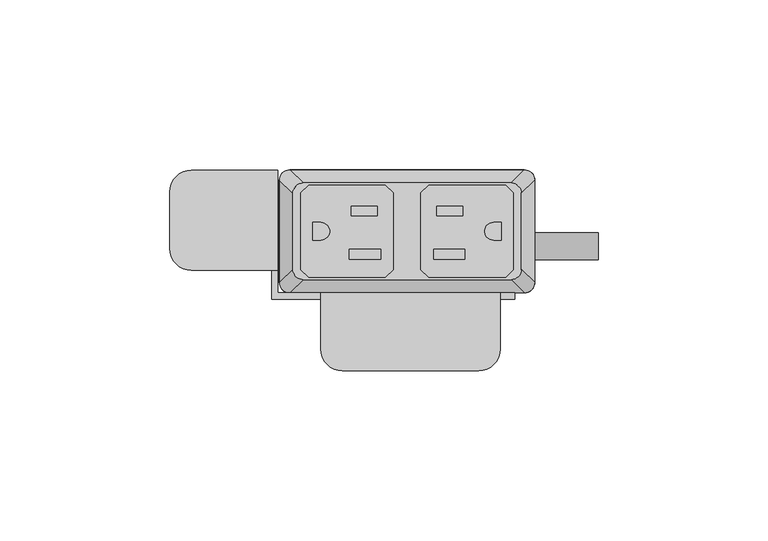
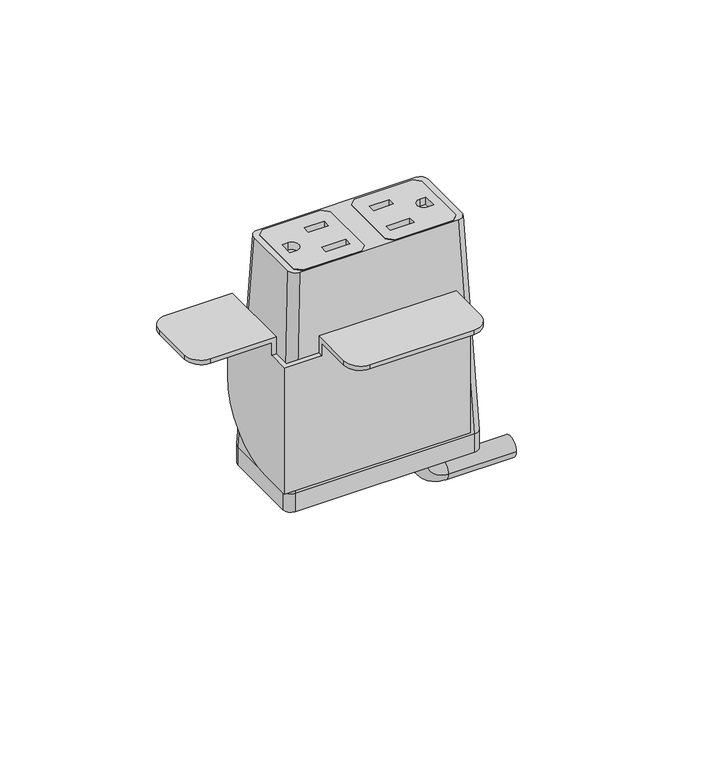
"""IFC4 building model written with IfcOpenShell, lengths in millimetres: furniture geometry."""

from ifc_helpers import new_model, si_unit, point, frame, frame_2d, origin, place, context, project, spatial, polyline, circle_curve, ellipse_curve, trimmed, segment, composite_curve, outline, extrude, source, transform, mapped, element, save
from ifc_brep_helpers import plane_surface, cylinder_surface, revolved_surface, extruded_surface, advanced_brep


def furniture_f7e2a11c(model_context):
    return source(origin(), model_context, "Body", "SolidModel", [
        extrude(outline(polyline([(28.9877496, 31.6867491), (31.2737497, 29.400774), (31.2737497, 6.7950272), (28.9877496, 4.5090526), (6.3817502, 4.5090526), (4.0957501, 6.7950272), (4.0957501, 29.400774), (6.3817502, 31.6867491), (28.9877496, 31.6867491)]), holes=[polyline([(16.3893498, 25.5262103), (8.71855, 25.5262103), (8.71855, 22.6814439), (16.3893498, 22.6814439), (16.3893498, 25.5262103)]), polyline([(17.0497496, 12.7755533), (7.8041498, 12.7755533), (7.8041498, 9.9307858), (17.0497496, 9.9307858), (17.0497496, 12.7755533)]), composite_curve([segment(polyline([(27.7177508, 20.7140722), (25.4427305, 20.7140722)]), True, "CONTINUOUS"), segment(trimmed(circle_curve(frame_2d((25.4427305, 18.0979012)), 2.616171), [point((25.4427305, 20.7140722))], [point((25.4427305, 15.4817301))], True, "CARTESIAN"), True, "CONTINUOUS"), segment(polyline([(25.4427305, 15.4817301), (27.7177508, 15.4817301), (27.7177508, 20.7140722)]), True, "CONTINUOUS")], self_intersect=False)]), frame((0.0, 0.0, 746.3747365), z_axis=(0.0, 0.0, 1.0), x_axis=(1.0, 0.0, 0.0)), (0.0, 0.0, 1.0), 2.9555086),
        extrude(outline(polyline([(-28.9877496, 31.6867491), (-6.3817502, 31.6867491), (-4.0957501, 29.400774), (-4.0957501, 6.7950272), (-6.3817502, 4.5090526), (-28.9877496, 4.5090526), (-31.2737497, 6.7950272), (-31.2737497, 29.400774), (-28.9877496, 31.6867491)]), holes=[polyline([(-16.3893498, 25.5262103), (-16.3893498, 22.6814439), (-8.71855, 22.6814439), (-8.71855, 25.5262103), (-16.3893498, 25.5262103)]), polyline([(-17.0497496, 12.7755533), (-17.0497496, 9.9307858), (-7.8041498, 9.9307858), (-7.8041498, 12.7755533), (-17.0497496, 12.7755533)]), composite_curve([segment(polyline([(-27.7177508, 20.7140722), (-27.7177508, 15.4817301), (-25.4427305, 15.4817301)]), True, "CONTINUOUS"), segment(trimmed(circle_curve(frame_2d((-25.4427305, 18.0979012)), 2.616171), [point((-25.4427305, 15.4817301))], [point((-25.4427305, 20.7140722))], True, "CARTESIAN"), True, "CONTINUOUS"), segment(polyline([(-25.4427305, 20.7140722), (-27.7177508, 20.7140722)]), True, "CONTINUOUS")], self_intersect=False)]), frame((0.0, 0.0, 746.3747365), z_axis=(0.0, 0.0, 1.0), x_axis=(1.0, 0.0, 0.0)), (0.0, 0.0, 1.0), 2.9555086),
        advanced_brep(
        [(-30.6070003, 32.3219007, 749.3170623), (-33.6549997, 29.2739013, 749.3170623), (-33.6549997, 6.9219002, 749.3170623), (-30.6070003, 3.8739008, 749.3170623), (30.6070003, 3.8739008, 749.3170623), (33.6549997, 6.9219002, 749.3170623), (33.6549997, 29.2739013, 749.3170623), (30.6070003, 32.3219007, 749.3170623), (4.0957501, 29.400774, 749.3170623), (6.3817502, 31.6867491, 749.3170623), (28.9877496, 31.6867491, 749.3170623), (31.2737497, 29.400774, 749.3170623), (31.2737497, 6.7950272, 749.3170623), (28.9877496, 4.5090526, 749.3170623), (6.3817502, 4.5090526, 749.3170623), (4.0957501, 6.7950272, 749.3170623), (-4.0957501, 29.400774, 749.3170623), (-4.0957501, 6.7950272, 749.3170623), (-6.3817502, 4.5090526, 749.3170623), (-28.9877496, 4.5090526, 749.3170623), (-31.2737497, 6.7950272, 749.3170623), (-31.2737497, 29.400774, 749.3170623), (-28.9877496, 31.6867491, 749.3170623), (-6.3817502, 31.6867491, 749.3170623), (-34.5440011, 36.1954015, 662.9702434), (34.5440011, 36.1954015, 662.9702434), (37.5920005, 33.1474021, 662.9702434), (37.5920005, 3.0484002, 662.9702434), (34.5440011, 0.0004009, 662.9702434), (-34.5440011, 0.0004009, 662.9702434), (-37.5920005, 3.0484002, 662.9702434), (-37.5920005, 33.1474021, 662.9702434), (4.0957501, 29.400774, 742.1751211), (4.0957501, 6.7950272, 742.1751211), (6.3817502, 4.5090526, 742.1751211), (28.9877496, 4.5090526, 742.1751211), (31.2737497, 6.7950272, 742.1751211), (31.2737497, 29.400774, 742.1751211), (28.9877496, 31.6867491, 742.1751211), (6.3817502, 31.6867491, 742.1751211), (-4.0957501, 29.400774, 742.1751211), (-6.3817502, 31.6867491, 742.1751211), (-28.9877496, 31.6867491, 742.1751211), (-31.2737497, 29.400774, 742.1751211), (-31.2737497, 6.7950272, 742.1751211), (-28.9877496, 4.5090526, 742.1751211), (-6.3817502, 4.5090526, 742.1751211), (-4.0957501, 6.7950272, 742.1751211)],
        [
            (0, 1, circle_curve(frame((-30.6070003, 29.2739013, 749.3170623), z_axis=(0.0, 0.0, 1.0), x_axis=(-1.0, 0.0, 0.0)), 3.0479994)),
            (1, 2),
            (2, 3, circle_curve(frame((-30.6070003, 6.9219002, 749.3170623), z_axis=(0.0, 0.0, 1.0), x_axis=(-1.0, 0.0, 0.0)), 3.0479994)),
            (3, 4),
            (4, 5, circle_curve(frame((30.6070003, 6.9219002, 749.3170623), z_axis=(0.0, 0.0, 1.0), x_axis=(-1.0, 0.0, 0.0)), 3.0479994)),
            (5, 6),
            (6, 7, circle_curve(frame((30.6070003, 29.2739013, 749.3170623), z_axis=(0.0, 0.0, 1.0), x_axis=(-1.0, 0.0, 0.0)), 3.0479994)),
            (7, 0),
            (8, 9),
            (9, 10),
            (10, 11),
            (11, 12),
            (12, 13),
            (13, 14),
            (14, 15),
            (15, 8),
            (16, 17),
            (17, 18),
            (18, 19),
            (19, 20),
            (20, 21),
            (21, 22),
            (22, 23),
            (23, 16),
            (24, 25),
            (25, 26, circle_curve(frame((34.5440011, 33.1474021, 662.9702434), z_axis=(0.0, 0.0, -1.0), x_axis=(-1.0, 0.0, 0.0)), 3.0479994)),
            (26, 27),
            (27, 28, circle_curve(frame((34.5440011, 3.0484002, 662.9702434), z_axis=(0.0, 0.0, -1.0), x_axis=(-1.0, 0.0, 0.0)), 3.0479994)),
            (28, 29),
            (29, 30, circle_curve(frame((-34.5440011, 3.0484002, 662.9702434), z_axis=(0.0, 0.0, -1.0), x_axis=(-1.0, 0.0, 0.0)), 3.0479994)),
            (30, 31),
            (31, 24, circle_curve(frame((-34.5440011, 33.1474021, 662.9702434), z_axis=(0.0, 0.0, -1.0), x_axis=(-1.0, 0.0, 0.0)), 3.0479994)),
            (0, 24),
            (31, 1),
            (30, 2),
            (29, 3),
            (28, 4),
            (27, 5),
            (26, 6),
            (25, 7),
            (32, 33),
            (33, 34),
            (34, 35),
            (35, 36),
            (36, 37),
            (37, 38),
            (38, 39),
            (39, 32),
            (40, 41),
            (41, 42),
            (42, 43),
            (43, 44),
            (44, 45),
            (45, 46),
            (46, 47),
            (47, 40),
            (39, 9),
            (8, 32),
            (38, 10),
            (37, 11),
            (36, 12),
            (35, 13),
            (34, 14),
            (33, 15),
            (47, 17),
            (16, 40),
            (46, 18),
            (45, 19),
            (44, 20),
            (43, 21),
            (42, 22),
            (41, 23),
        ],
        [
            plane_surface(frame((0.0, 18.0979007, 749.3170623), z_axis=(0.0, 0.0, 1.0), x_axis=(-1.0, 0.0, 0.0))),
            plane_surface(frame((0.0, 18.0979012, 662.9702434), z_axis=(0.0, 0.0, -1.0), x_axis=(-1.0, 0.0, 0.0))),
            extruded_surface(trimmed(circle_curve(frame((-34.5440011, 33.1474021, 662.9702434), z_axis=(0.0, 0.0, 1.0), x_axis=(-1.0, 0.0, 0.0)), 3.0479994), [point((-34.5440011, 36.1954015, 662.9702434))], [point((-37.5920005, 33.1474021, 662.9702434))], True, "CARTESIAN"), (3.9370008000000034, -3.873500800000002, 86.34681890000002), 86.52327500676452),
            plane_surface(frame((-37.5920005, 18.0979012, 662.9702434), z_axis=(-0.9989621566211194, 0.0, 0.04554788292425982), x_axis=(0.0, -1.0, 0.0))),
            extruded_surface(trimmed(circle_curve(frame((-34.5440011, 3.0484002, 662.9702434), z_axis=(0.0, 0.0, 1.0), x_axis=(-1.0, 0.0, 0.0)), 3.0479994), [point((-37.5920005, 3.0484002, 662.9702434))], [point((-34.5440011, 0.0004009, 662.9702434))], True, "CARTESIAN"), (3.9370008000000034, 3.8734999999999995, 86.34681890000002), 86.52327497094987),
            plane_surface(frame((0.0, 0.0004009, 662.9702434), z_axis=(0.0, -0.9989953158490498, 0.044814717578687276), x_axis=(1.0, 0.0, 0.0))),
            extruded_surface(trimmed(circle_curve(frame((34.5440011, 3.0484002, 662.9702434), z_axis=(0.0, 0.0, 1.0), x_axis=(-1.0, 0.0, 0.0)), 3.0479994), [point((34.5440011, 0.0004009, 662.9702434))], [point((37.5920005, 3.0484002, 662.9702434))], True, "CARTESIAN"), (-3.9370008000000034, 3.8734999999999995, 86.34681890000002), 86.52327497094987),
            plane_surface(frame((37.5920005, 18.0979012, 662.9702434), z_axis=(0.9989621566211194, 0.0, 0.04554788292425977), x_axis=(0.0, 1.0, 0.0))),
            extruded_surface(trimmed(circle_curve(frame((34.5440011, 33.1474021, 662.9702434), z_axis=(0.0, 0.0, 1.0), x_axis=(-1.0, 0.0, 0.0)), 3.0479994), [point((37.5920005, 33.1474021, 662.9702434))], [point((34.5440011, 36.1954015, 662.9702434))], True, "CARTESIAN"), (-3.9370008000000034, -3.873500800000002, 86.34681890000002), 86.52327500676452),
            plane_surface(frame((0.0, 36.1954015, 662.9702434), z_axis=(0.0, 0.9989953153818162, 0.04481472799410512), x_axis=(-1.0, 0.0, 0.0))),
            plane_surface(frame((4.0957501, 29.400774, 742.1751211), z_axis=(0.0, 0.0, 1.0), x_axis=(0.707110644658062, 0.7071029176939239, 0.0))),
            plane_surface(frame((4.0957501, 29.400774, 742.1751211), z_axis=(0.7071029176939239, -0.707110644658062, 0.0), x_axis=(0.0, 0.0, 1.0))),
            plane_surface(frame((6.3817502, 31.6867491, 742.1751211), z_axis=(0.0, -1.0, 0.0), x_axis=(0.0, 0.0, 1.0))),
            plane_surface(frame((28.9877496, 31.6867491, 742.1751211), z_axis=(-0.7071029176939239, -0.707110644658062, 0.0), x_axis=(0.0, 0.0, 1.0))),
            plane_surface(frame((31.2737497, 29.400774, 742.1751211), z_axis=(-1.0, 0.0, 0.0), x_axis=(0.0, 0.0, 1.0))),
            plane_surface(frame((31.2737497, 6.7950272, 742.1751211), z_axis=(-0.7071028298865373, 0.7071107324644781, 0.0), x_axis=(0.0, 0.0, 1.0))),
            plane_surface(frame((28.9877496, 4.5090526, 742.1751211), z_axis=(0.0, 1.0, 0.0), x_axis=(0.0, 0.0, 1.0))),
            plane_surface(frame((6.3817502, 4.5090526, 742.1751211), z_axis=(0.7071028298865373, 0.7071107324644781, 0.0), x_axis=(0.0, 0.0, 1.0))),
            plane_surface(frame((4.0957501, 6.7950272, 742.1751211), z_axis=(1.0, 0.0, 0.0), x_axis=(0.0, 0.0, 1.0))),
            plane_surface(frame((-4.0957501, 29.400774, 742.1751211), z_axis=(-1.0, 0.0, 0.0), x_axis=(0.0, 0.0, 1.0))),
            plane_surface(frame((-4.0957501, 6.7950272, 742.1751211), z_axis=(-0.7071028298865389, 0.7071107324644764, 0.0), x_axis=(0.0, 0.0, 1.0))),
            plane_surface(frame((-6.3817502, 4.5090526, 742.1751211), z_axis=(0.0, 1.0, 0.0), x_axis=(0.0, 0.0, 1.0))),
            plane_surface(frame((-28.9877496, 4.5090526, 742.1751211), z_axis=(0.707102829886537, 0.7071107324644784, 0.0), x_axis=(0.0, 0.0, 1.0))),
            plane_surface(frame((-31.2737497, 6.7950272, 742.1751211), z_axis=(1.0, 0.0, 0.0), x_axis=(0.0, 0.0, 1.0))),
            plane_surface(frame((-31.2737497, 29.400774, 742.1751211), z_axis=(0.7071029176940063, -0.7071106446579796, 0.0), x_axis=(0.0, 0.0, 1.0))),
            plane_surface(frame((-28.9877496, 31.6867491, 742.1751211), z_axis=(0.0, -1.0, 0.0), x_axis=(0.0, 0.0, 1.0))),
            plane_surface(frame((-6.3817502, 31.6867491, 742.1751211), z_axis=(-0.7071029176940076, -0.7071106446579782, 0.0), x_axis=(0.0, 0.0, 1.0))),
        ],
        [
            (0, [[1, 2, 3, 4, 5, 6, 7, 8], [9, 10, 11, 12, 13, 14, 15, 16], [17, 18, 19, 20, 21, 22, 23, 24]]),
            (1, [[25, 26, 27, 28, 29, 30, 31, 32]]),
            (2, [[-1, 33, -32, 34]]),
            (3, [[-2, -34, -31, 35]]),
            (4, [[-3, -35, -30, 36]]),
            (5, [[-4, -36, -29, 37]]),
            (6, [[-5, -37, -28, 38]]),
            (7, [[-6, -38, -27, 39]]),
            (8, [[-7, -39, -26, 40]]),
            (9, [[-8, -40, -25, -33]]),
            (10, [[41, 42, 43, 44, 45, 46, 47, 48]]),
            (10, [[49, 50, 51, 52, 53, 54, 55, 56]]),
            (11, [[-48, 57, -9, 58]]),
            (12, [[-47, 59, -10, -57]]),
            (13, [[-46, 60, -11, -59]]),
            (14, [[-45, 61, -12, -60]]),
            (15, [[-44, 62, -13, -61]]),
            (16, [[-43, 63, -14, -62]]),
            (17, [[-42, 64, -15, -63]]),
            (18, [[-41, -58, -16, -64]]),
            (19, [[-56, 65, -17, 66]]),
            (20, [[-55, 67, -18, -65]]),
            (21, [[-54, 68, -19, -67]]),
            (22, [[-53, 69, -20, -68]]),
            (23, [[-52, 70, -21, -69]]),
            (24, [[-51, 71, -22, -70]]),
            (25, [[-50, 72, -23, -71]]),
            (26, [[-49, -66, -24, -72]]),
        ],
    ),
        advanced_brep(
        [(21.5715504, 17.7128311, 655.4960348), (21.5715504, 9.7137856, 655.4960348), (21.5715504, 17.7128311, 650.6662821), (21.5715504, 9.7137856, 650.6662821), (30.0384415, 9.7137856, 642.199391), (30.0384415, 17.7128311, 642.199391), (56.2588798, 17.7128311, 642.199391), (56.2588798, 9.7137856, 642.199391)],
        [
            (0, 1, circle_curve(frame((21.5715504, 13.7133083, 655.4960348), z_axis=(0.0, 0.0, 1.0), x_axis=(0.0, -1.0, 0.0)), 3.9995228)),
            (1, 0, circle_curve(frame((21.5715504, 13.7133083, 655.4960348), z_axis=(0.0, 0.0, 1.0), x_axis=(0.0, -1.0, 0.0)), 3.9995228)),
            (0, 2),
            (2, 3, circle_curve(frame((21.5715504, 13.7133083, 650.6662821), z_axis=(0.0, 0.0, 1.0), x_axis=(0.0, -1.0, 0.0)), 3.9995228)),
            (3, 1),
            (3, 2, circle_curve(frame((21.5715504, 13.7133083, 650.6662821), z_axis=(0.0, 0.0, 1.0), x_axis=(0.0, -1.0, 0.0)), 3.9995228)),
            (4, 3, circle_curve(frame((30.0384415, 9.7137856, 650.6662821), z_axis=(0.0, 1.0, 0.0), x_axis=(-1.0, 0.0, 0.0)), 8.4668911)),
            (2, 5, circle_curve(frame((30.0384415, 17.7128311, 650.6662821), z_axis=(0.0, -1.0, 0.0), x_axis=(-1.0, 0.0, 0.0)), 8.4668911)),
            (5, 4, circle_curve(frame((30.0384415, 13.7133083, 642.199391), z_axis=(-1.0, 0.0, 0.0), x_axis=(0.0, -1.0, 0.0)), 3.9995228)),
            (4, 5, circle_curve(frame((30.0384415, 13.7133083, 642.199391), z_axis=(-1.0, 0.0, 0.0), x_axis=(0.0, -1.0, 0.0)), 3.9995228)),
            (6, 7, circle_curve(frame((56.2588798, 13.7133083, 642.199391), z_axis=(1.0, 0.0, 0.0), x_axis=(0.0, -1.0, 0.0)), 3.9995228)),
            (7, 6, circle_curve(frame((56.2588798, 13.7133083, 642.199391), z_axis=(1.0, 0.0, 0.0), x_axis=(0.0, -1.0, 0.0)), 3.9995228)),
            (5, 6),
            (7, 4),
        ],
        [
            plane_surface(frame((21.5715504, 0.0, 655.4960348), z_axis=(0.0, 0.0, 1.0), x_axis=(0.0, -1.0, 0.0))),
            cylinder_surface(frame((21.5715504, 13.7133083, 655.4960348), z_axis=(0.0, 0.0, 1.0), x_axis=(0.0, -1.0, 0.0)), 3.9995228),
            revolved_surface(trimmed(ellipse_curve(frame((21.5715504, 13.7133083, 650.6662821), z_axis=(0.0, 0.0, 1.0), x_axis=(0.0, -1.0, 0.0)), 3.9995228, 3.9995228), [point((21.5715504, 17.7128311, 650.6662821))], [point((21.5715504, 9.7137856, 650.6662821))], True, "CARTESIAN"), (30.0384415, 0.0, 650.6662821), (0.0, -1.0, 0.0)),
            revolved_surface(trimmed(ellipse_curve(frame((21.5715504, 13.7133083, 650.6662821), z_axis=(0.0, 0.0, 1.0), x_axis=(0.0, -1.0, 0.0)), 3.9995228, 3.9995228), [point((21.5715504, 9.7137856, 650.6662821))], [point((21.5715504, 17.7128311, 650.6662821))], True, "CARTESIAN"), (30.0384415, 0.0, 650.6662821), (0.0, -1.0, 0.0)),
            plane_surface(frame((56.2588798, 0.0, 642.199391), z_axis=(1.0, 0.0, 0.0), x_axis=(0.0, -1.0, 0.0))),
            cylinder_surface(frame((30.0384415, 13.7133083, 642.199391), z_axis=(-1.0, 0.0, 0.0), x_axis=(0.0, -1.0, 0.0)), 3.9995228),
        ],
        [
            (0, [[1, 2]]),
            (1, [[-1, 3, 4, 5]]),
            (1, [[-2, -5, 6, -3]]),
            (2, [[7, -4, 8, 9]]),
            (3, [[-8, -6, -7, 10]]),
            (4, [[11, 12]]),
            (5, [[-9, 13, -12, 14]]),
            (5, [[-10, -14, -11, -13]]),
        ],
    ),
        extrude(outline(composite_curve([segment(trimmed(circle_curve(frame_2d((34.5440011, 33.1474021)), 3.0479994), [point((34.5440011, 36.1954015))], [point((37.5920005, 33.1474021))], False, "CARTESIAN"), True, "CONTINUOUS"), segment(polyline([(37.5920005, 33.1474021), (37.5920005, 3.0484002)]), True, "CONTINUOUS"), segment(trimmed(circle_curve(frame_2d((34.5440011, 3.0484002)), 3.0479994), [point((37.5920005, 3.0484002))], [point((34.5440011, 0.0004009))], False, "CARTESIAN"), True, "CONTINUOUS"), segment(polyline([(34.5440011, 0.0004009), (-34.5440011, 0.0004009)]), True, "CONTINUOUS"), segment(trimmed(circle_curve(frame_2d((-34.5440011, 3.0484002)), 3.0479994), [point((-34.5440011, 0.0004009))], [point((-37.5920005, 3.0484002))], False, "CARTESIAN"), True, "CONTINUOUS"), segment(polyline([(-37.5920005, 3.0484002), (-37.5920005, 33.1474021)]), True, "CONTINUOUS"), segment(trimmed(circle_curve(frame_2d((-34.5440011, 33.1474021)), 3.0479994), [point((-37.5920005, 33.1474021))], [point((-34.5440011, 36.1954015))], False, "CARTESIAN"), True, "CONTINUOUS"), segment(polyline([(-34.5440011, 36.1954015), (34.5440011, 36.1954015)]), True, "CONTINUOUS")], self_intersect=False)), frame((0.0, 0.0, 655.4960348), z_axis=(0.0, 0.0, 1.0), x_axis=(1.0, 0.0, 0.0)), (0.0, 0.0, 1.0), 7.4742086),
        advanced_brep(
        [(-63.4998651, 6.6265515, 722.122), (-69.8498653, 12.9765517, 722.122), (-69.8498653, 29.7151512, 722.122), (-63.4998645, 36.0651519, 722.122), (-39.877862, 36.0651519, 722.122), (-39.877862, 6.6265515, 722.122), (27.4321373, -16.6144474, 722.122), (21.0821366, -22.9644481, 722.122), (-19.0498626, -22.9644481, 722.122), (-25.3998622, -16.6144485, 722.122), (-25.3998622, -1.9078486, 722.122), (27.4321373, -1.9078486, 722.122), (-63.4998645, 36.0651519, 723.9), (-69.8498653, 29.7151512, 723.9), (-69.8498653, 12.9765517, 723.9), (-63.4998651, 6.6265515, 723.9), (-38.0998637, 6.6265515, 723.9), (-38.0998637, 36.0651519, 723.9), (-25.3998622, 0.0, 723.9), (-25.3998622, -16.6144485, 723.9), (-19.0498626, -22.9644481, 723.9), (21.0821366, -22.9644481, 723.9), (27.4321373, -16.6144474, 723.9), (27.4321373, 0.0, 723.9), (-38.0998637, 36.0651519, 690.8799997), (-39.877862, 36.0651519, 690.8799997), (-39.877862, 6.6265515, 717.0419997), (-38.0998637, 6.6265515, 717.0419997), (-38.0998637, 0.0, 717.0419997), (-38.0998637, 0.0, 665.4800012), (-38.0998637, 10.6651534, 665.4800012), (27.4321373, -1.9078486, 717.0419997), (27.4321373, 0.0, 717.0419997), (31.7501378, 0.0, 717.0419997), (31.7501378, 0.0, 665.4800012), (-25.3998622, 0.0, 717.0419997), (-25.3998622, -1.9078486, 717.0419997), (-39.877862, 10.6651534, 665.4800012), (-39.877862, -1.9078486, 665.4800012), (-39.877862, -1.9078486, 717.0419997), (31.7501378, -1.9078486, 665.4800012), (31.7501378, -1.9078486, 717.0419997)],
        [
            (0, 1, circle_curve(frame((-63.4998651, 12.9765517, 722.122), z_axis=(0.0, 0.0, -1.0), x_axis=(-1.0, 0.0, 0.0)), 6.3500002)),
            (1, 2),
            (2, 3, circle_curve(frame((-63.4998645, 29.7151512, 722.122), z_axis=(0.0, 0.0, -1.0), x_axis=(-1.0, 0.0, 0.0)), 6.3500008)),
            (3, 4),
            (4, 5),
            (5, 0),
            (6, 7, circle_curve(frame((21.0821366, -16.6144474, 722.122), z_axis=(0.0, 0.0, -1.0), x_axis=(-1.0, 0.0, 0.0)), 6.3500008)),
            (7, 8),
            (8, 9, circle_curve(frame((-19.0498626, -16.6144485, 722.122), z_axis=(0.0, 0.0, -1.0), x_axis=(-1.0, 0.0, 0.0)), 6.3499996)),
            (9, 10),
            (10, 11),
            (11, 6),
            (12, 13, circle_curve(frame((-63.4998645, 29.7151512, 723.9), z_axis=(0.0, 0.0, 1.0), x_axis=(-1.0, 0.0, 0.0)), 6.3500008)),
            (13, 14),
            (14, 15, circle_curve(frame((-63.4998651, 12.9765517, 723.9), z_axis=(0.0, 0.0, 1.0), x_axis=(-1.0, 0.0, 0.0)), 6.3500002)),
            (15, 16),
            (16, 17),
            (17, 12),
            (18, 19),
            (19, 20, circle_curve(frame((-19.0498626, -16.6144485, 723.9), z_axis=(0.0, 0.0, 1.0), x_axis=(-1.0, 0.0, 0.0)), 6.3499996)),
            (20, 21),
            (21, 22, circle_curve(frame((21.0821366, -16.6144474, 723.9), z_axis=(0.0, 0.0, 1.0), x_axis=(-1.0, 0.0, 0.0)), 6.3500008)),
            (22, 23),
            (23, 18),
            (3, 12),
            (17, 24),
            (24, 25),
            (25, 4),
            (2, 13),
            (1, 14),
            (0, 15),
            (5, 26),
            (26, 27),
            (27, 16),
            (27, 28),
            (28, 29),
            (29, 30),
            (30, 24, circle_curve(frame((-38.0998637, 10.6651534, 690.8799997), z_axis=(1.0, 0.0, 0.0), x_axis=(0.0, -1.0, 0.0)), 25.3999985)),
            (8, 20),
            (19, 9),
            (7, 21),
            (6, 22),
            (11, 31),
            (31, 32),
            (32, 23),
            (32, 33),
            (33, 34),
            (34, 29),
            (28, 35),
            (35, 18),
            (35, 36),
            (36, 10),
            (25, 37, circle_curve(frame((-39.877862, 10.6651534, 690.8799997), z_axis=(-1.0, 0.0, 0.0), x_axis=(0.0, -1.0, 0.0)), 25.3999985)),
            (37, 38),
            (38, 39),
            (39, 26),
            (30, 37),
            (34, 40),
            (40, 38),
            (40, 41),
            (41, 31),
            (36, 39),
            (41, 33),
        ],
        [
            plane_surface(frame((-63.4998645, 36.0651519, 722.122), z_axis=(0.0, 0.0, -1.0), x_axis=(1.0, 0.0, 0.0))),
            plane_surface(frame((-63.4998645, 36.0651519, 723.9), z_axis=(0.0, 0.0, 1.0), x_axis=(-1.0, 0.0, 0.0))),
            plane_surface(frame((-38.0998637, 36.0651519, 723.9), z_axis=(0.0, 1.0, 0.0), x_axis=(0.0, 0.0, -1.0))),
            cylinder_surface(frame((-63.4998645, 29.7151512, 722.122), z_axis=(0.0, 0.0, 1.0), x_axis=(-1.0, 0.0, 0.0)), 6.3500008),
            plane_surface(frame((-69.8498653, 29.7151512, 723.9), z_axis=(-1.0, 0.0, 0.0), x_axis=(0.0, 0.0, -1.0))),
            cylinder_surface(frame((-63.4998651, 12.9765517, 722.122), z_axis=(0.0, 0.0, 1.0), x_axis=(-1.0, 0.0, 0.0)), 6.3500002),
            plane_surface(frame((-63.4998651, 6.6265515, 723.9), z_axis=(0.0, -1.0, 0.0), x_axis=(0.0, 0.0, -1.0))),
            plane_surface(frame((-38.0998637, 6.6265515, 723.9), z_axis=(1.0, 0.0, 0.0), x_axis=(0.0, 0.0, -1.0))),
            cylinder_surface(frame((-19.0498626, -16.6144485, 723.9), z_axis=(0.0, 0.0, 1.0), x_axis=(-1.0, 0.0, 0.0)), 6.3499996),
            plane_surface(frame((-19.0498626, -22.9644481, 723.9), z_axis=(0.0, -1.0, 0.0), x_axis=(0.0, 0.0, -1.0))),
            cylinder_surface(frame((21.0821366, -16.6144474, 723.9), z_axis=(0.0, 0.0, 1.0), x_axis=(-1.0, 0.0, 0.0)), 6.3500008),
            plane_surface(frame((27.4321373, -16.6144474, 723.9), z_axis=(1.0, 0.0, 0.0), x_axis=(0.0, 0.0, -1.0))),
            plane_surface(frame((27.4321373, 0.0, 723.9), z_axis=(0.0, 1.0, 0.0), x_axis=(0.0, 0.0, -1.0))),
            plane_surface(frame((-25.3998622, 0.0, 723.9), z_axis=(-1.0, 0.0, 0.0), x_axis=(0.0, 0.0, -1.0))),
            plane_surface(frame((-39.877862, 36.0651519, 690.8799997), z_axis=(-1.0, 0.0, 0.0), x_axis=(0.0, 0.0, -1.0))),
            cylinder_surface(frame((-38.0998637, 10.6651534, 690.8799997), z_axis=(-1.0, 0.0, 0.0), x_axis=(0.0, -1.0, 0.0)), 25.3999985),
            plane_surface(frame((-39.877862, 10.6651534, 665.4800012), z_axis=(0.0, 0.0, -1.0), x_axis=(1.0, 0.0, 0.0))),
            plane_surface(frame((-39.877862, -1.9078486, 665.4800012), z_axis=(0.0, -1.0, 0.0), x_axis=(1.0, 0.0, 0.0))),
            plane_surface(frame((-39.877862, -1.9078486, 717.0419997), z_axis=(0.0, 0.0, 1.0), x_axis=(1.0, 0.0, 0.0))),
            plane_surface(frame((31.7501378, -1.9078486, 717.0419997), z_axis=(0.0, 0.0, 1.0), x_axis=(0.0, 1.0, 0.0))),
            plane_surface(frame((31.7501378, -1.9078486, 665.4800012), z_axis=(1.0, 0.0, 0.0), x_axis=(0.0, 1.0, 0.0))),
        ],
        [
            (0, [[1, 2, 3, 4, 5, 6]]),
            (0, [[7, 8, 9, 10, 11, 12]]),
            (1, [[13, 14, 15, 16, 17, 18]]),
            (1, [[19, 20, 21, 22, 23, 24]]),
            (2, [[25, -18, 26, 27, 28, -4]]),
            (3, [[-3, 29, -13, -25]]),
            (4, [[-2, 30, -14, -29]]),
            (5, [[-1, 31, -15, -30]]),
            (6, [[-31, -6, 32, 33, 34, -16]]),
            (7, [[-17, -34, 35, 36, 37, 38, -26]]),
            (8, [[-9, 39, -20, 40]]),
            (9, [[-8, 41, -21, -39]]),
            (10, [[-7, 42, -22, -41]]),
            (11, [[-42, -12, 43, 44, 45, -23]]),
            (12, [[-24, -45, 46, 47, 48, -36, 49, 50]]),
            (13, [[-40, -19, -50, 51, 52, -10]]),
            (14, [[53, 54, 55, 56, -32, -5, -28]]),
            (15, [[-53, -27, -38, 57]]),
            (16, [[-57, -37, -48, 58, 59, -54]]),
            (17, [[-55, -59, 60, 61, -43, -11, -52, 62]]),
            (18, [[-62, -51, -49, -35, -33, -56]]),
            (19, [[-61, 63, -46, -44]]),
            (20, [[-60, -58, -47, -63]]),
        ],
    ),
    ])


if __name__ == "__main__":
    model = new_model("IFC4")
    model_context = context("Model", 3, world=origin())
    ifc_project = project(units=[si_unit("LENGTHUNIT", "METRE", prefix="MILLI")], contexts=[model_context])
    site = spatial("IfcSite", under=ifc_project)
    building = spatial("IfcBuilding", under=site)
    placement = place(None, origin())
    furniture_shape = furniture_f7e2a11c(model_context)
    element("IfcFurniture", 1, at=placement, inside=building, context=model_context, shape_type="MappedRepresentation", body=[
        mapped(furniture_shape, transform((0.0, 0.0, 0.0), x_axis=(1.0, 0.0, 0.0), y_axis=(0.0, 1.0, 0.0), z_axis=(0.0, 0.0, 1.0))),
    ])
    save(model, "model.ifc")
